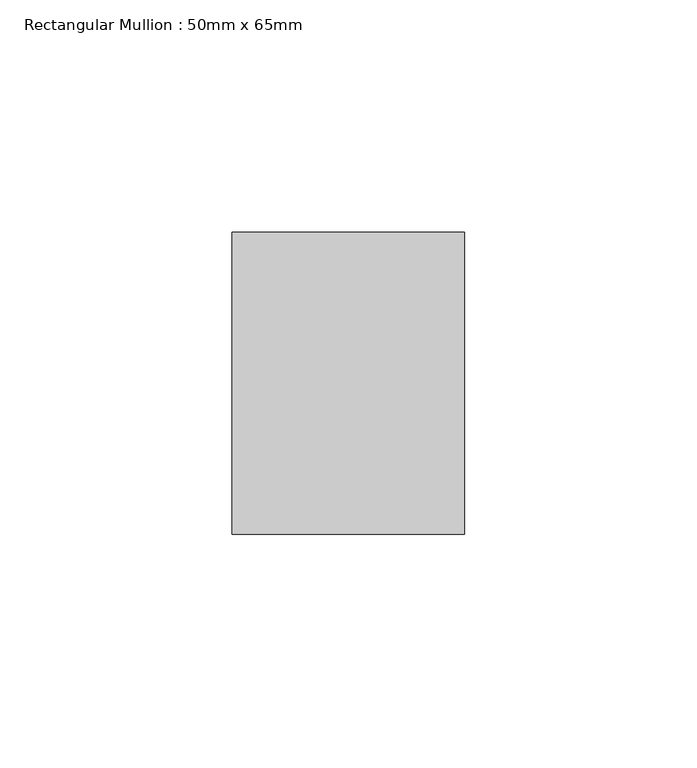
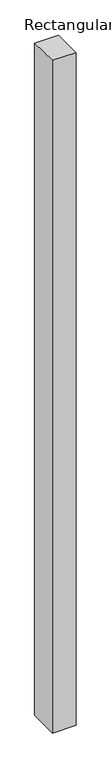
"""IFC4 building model written with IfcOpenShell, lengths in millimetres: member geometry, Rectangular Mullion : 50mm x 65mm."""

from ifc_helpers import new_model, si_unit, origin, place, context, project, spatial, faceted_brep, source, transform, mapped, element, save


def rectangular_mullion_50mm_x_65mm_9df3bfef(model_context):
    return source(origin(), model_context, "Body", "Brep", [
        faceted_brep([(-25.0, 32.5, -0.3057248), (25.0, 32.5, -0.3057235), (25.0, 32.5, -1499.7973864), (-25.0, 32.5, -1499.7973855), (-25.0, -32.5, 0.3057235), (-25.0, -32.5, -1500.2028622), (25.0, -32.5, 0.3057248), (25.0, -32.5, -1500.2028631)], [[[0, 1, 2, 3]], [[4, 0, 3, 5]], [[6, 4, 5, 7]], [[1, 6, 7, 2]], [[1, 0, 4, 6]], [[2, 7, 5, 3]]]),
    ])


if __name__ == "__main__":
    model = new_model("IFC4")
    model_context = context("Model", 3, world=origin())
    ifc_project = project(units=[si_unit("LENGTHUNIT", "METRE", prefix="MILLI")], contexts=[model_context])
    site = spatial("IfcSite", under=ifc_project)
    building = spatial("IfcBuilding", under=site)
    placement = place(None, origin())
    rectangular_mullion_50mm_x_65mm_shape = rectangular_mullion_50mm_x_65mm_9df3bfef(model_context)
    element("IfcMember", 1, ObjectType="Rectangular Mullion : 50mm x 65mm", at=placement, inside=building, context=model_context, shape_type="MappedRepresentation", body=[
        mapped(rectangular_mullion_50mm_x_65mm_shape, transform((0.0, 0.0, 0.0), x_axis=(1.0, 0.0, 0.0), y_axis=(0.0, 1.0, 0.0), z_axis=(0.0, 0.0, 1.0))),
    ])
    save(model, "model.ifc")
